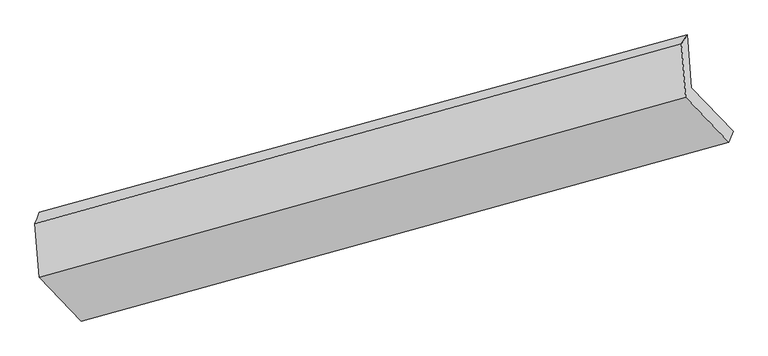
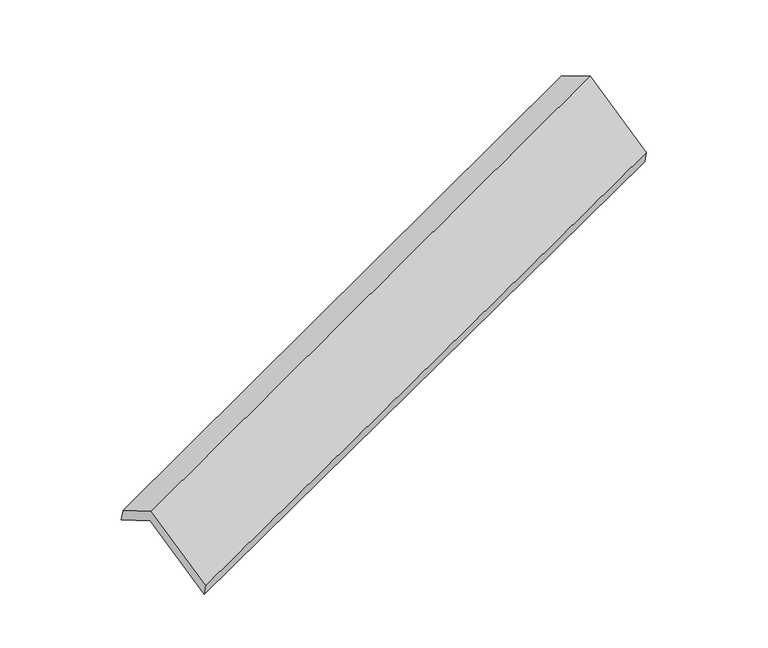
"""IFC4 building model written with IfcOpenShell, lengths in millimetres: proxy geometry."""

import ifcopenshell
import ifcopenshell.guid

model = None  # the IFC model being written
_history = None  # IfcOwnerHistory: only IFC2X3 demands one
_inside = {}  # id of a spatial element -> (the spatial element, [elements in it])
_under = {}  # id of a project, library or spatial element -> (it, [spatial elements below it])
_declared = {}  # id of a project -> (the project, [libraries it declares])
_typed = {}  # id of a type object -> (the type object, [elements of that type])
_made_of = {}  # id of a material, layer set ... -> (it, [elements and type objects made of it])


def new_model(schema):
    """Start an empty IFC model of exactly this schema.

    Asked for "IFC4X3", IfcOpenShell would pick the latest addendum, in which some entities
    have other attributes; the version numbers below select the first issue.
    IFC2X3 requires an IfcOwnerHistory on every rooted entity: one is made here for all.
    """
    global model, _history
    if schema == "IFC4X3":
        model = ifcopenshell.file(schema_version=(4, 3, 0, 0))
    else:
        model = ifcopenshell.file(schema=schema)
    _inside.clear()
    _under.clear()
    _declared.clear()
    _typed.clear()
    _made_of.clear()
    _history = None
    if model.schema == "IFC2X3":
        org = make("IfcOrganization", Name="unknown")
        user = make(
            "IfcPersonAndOrganization",
            ThePerson=make("IfcPerson", FamilyName="unknown"),
            TheOrganization=org,
        )
        app = make(
            "IfcApplication",
            ApplicationDeveloper=org,
            Version="unknown",
            ApplicationFullName="unknown",
            ApplicationIdentifier="unknown",
        )
        _history = make(
            "IfcOwnerHistory",
            OwningUser=user,
            OwningApplication=app,
            ChangeAction="ADDED",
            CreationDate=0,
        )
    return model


def make(cls, **values):
    """One entity of the class cls with the attributes given. An attribute that is None is left unset."""
    return model.create_entity(
        cls, **{name: value for name, value in values.items() if value is not None}
    )


def rooted(cls, **values):
    """An entity with a GlobalId (a new one), such as an element, a storey or a relation."""
    return make(cls, GlobalId=ifcopenshell.guid.new(), OwnerHistory=_history, **values)


def si_unit(unit_type, name, prefix=None):
    """IfcSIUnit, for example si_unit("LENGTHUNIT", "METRE", prefix="MILLI")."""
    return make("IfcSIUnit", UnitType=unit_type, Prefix=prefix, Name=name)


def assignment(units):
    """IfcUnitAssignment: the units of a project."""
    return None if units is None else make("IfcUnitAssignment", Units=units)


def point(xyz):
    """IfcCartesianPoint."""
    return None if xyz is None else make("IfcCartesianPoint", Coordinates=xyz)


def direction(xyz):
    """IfcDirection."""
    return None if xyz is None else make("IfcDirection", DirectionRatios=xyz)


def frame(location, z_axis=None, x_axis=None):
    """IfcAxis2Placement3D, a coordinate frame: its origin and axes. An axis left out is left unset."""
    return make(
        "IfcAxis2Placement3D",
        Location=point(location),
        Axis=direction(z_axis),
        RefDirection=direction(x_axis),
    )


def origin():
    """The frame at (0, 0, 0) with its axes left unset."""
    return frame((0.0, 0.0, 0.0))


def place(relative_to, where):
    """IfcLocalPlacement: puts the frame where relative to a parent placement (None: the world)."""
    return make(
        "IfcLocalPlacement", PlacementRelTo=relative_to, RelativePlacement=where
    )


def context(
    kind, dimensions, precision=None, world=None, true_north=None, identifier=None
):
    """IfcGeometricRepresentationContext, for example the 3D "Model" context."""
    return make(
        "IfcGeometricRepresentationContext",
        ContextIdentifier=identifier,
        ContextType=kind,
        CoordinateSpaceDimension=dimensions,
        Precision=precision,
        WorldCoordinateSystem=world,
        TrueNorth=true_north,
    )


def project(units=None, contexts=None):
    """IfcProject with its units and contexts."""
    return rooted(
        "IfcProject",
        Name="project",
        RepresentationContexts=contexts,
        UnitsInContext=assignment(units),
    )


def spatial(cls, under=None, at=None, **own):
    """A site, building, storey or space (cls), placed at a placement, below another one or the project."""
    s = rooted(cls, ObjectPlacement=at, **own)
    if under is not None:
        _under.setdefault(under.id(), (under, []))[1].append(s)
    return s


def shape(context_of_items, identifier, shape_type, items):
    """IfcShapeRepresentation: the items that make up one representation, for example the "Body"."""
    return make(
        "IfcShapeRepresentation",
        ContextOfItems=context_of_items,
        RepresentationIdentifier=identifier,
        RepresentationType=shape_type,
        Items=items,
    )


def source(mapping_origin, context_of_items, identifier, shape_type, items):
    """IfcRepresentationMap: a shape defined once, which mapped items show again and again."""
    return make(
        "IfcRepresentationMap",
        MappingOrigin=mapping_origin,
        MappedRepresentation=shape(context_of_items, identifier, shape_type, items),
    )


def transform(
    local_origin,
    x_axis=None,
    y_axis=None,
    z_axis=None,
    scale=None,
    scale2=None,
    scale3=None,
    uniform=True,
):
    """IfcCartesianTransformationOperator3D, or its non-uniform kind. x_axis, y_axis, z_axis: its Axis1, 2, 3."""
    if uniform:
        return make(
            "IfcCartesianTransformationOperator3D",
            Axis1=direction(x_axis),
            Axis2=direction(y_axis),
            LocalOrigin=point(local_origin),
            Scale=scale,
            Axis3=direction(z_axis),
        )
    return make(
        "IfcCartesianTransformationOperator3DnonUniform",
        Axis1=direction(x_axis),
        Axis2=direction(y_axis),
        LocalOrigin=point(local_origin),
        Scale=scale,
        Axis3=direction(z_axis),
        Scale2=scale2,
        Scale3=scale3,
    )


def mapped(mapping_source, mapping_target):
    """IfcMappedItem: shows the shape of a source again, moved by a transform."""
    return make(
        "IfcMappedItem", MappingSource=mapping_source, MappingTarget=mapping_target
    )


def made_of(thing, what):
    """Note that an element or type object is made of a material, layer set ...; save() writes the relation."""
    if what is not None:
        _made_of.setdefault(what.id(), (what, []))[1].append(thing)
    return thing


def element(
    cls,
    number,
    at=None,
    inside=None,
    cuts=None,
    type_object=None,
    material=None,
    context=None,
    identifier="Body",
    shape_type=None,
    held_by="IfcProductDefinitionShape",
    body=None,
    shapes=None,
    **own,
):
    """One element of the class cls, such as IfcWall. Its Tag is "e" and its number.

    at: its placement. inside: the storey or other place that contains it. cuts: it is an
    opening in that element (IfcRelVoidsElement). A single representation is given by context,
    identifier, shape_type and body (its items); several are given by shapes. held_by: the class
    of the entity that holds the representations. save() writes the other relations.
    """
    e = rooted(cls, Tag="e%d" % number, ObjectPlacement=at, **own)
    if body is not None:
        shapes = [shape(context, identifier, shape_type, body)]
    if shapes is not None:
        e.Representation = make(held_by, Representations=shapes)
    if inside is not None:
        _inside.setdefault(inside.id(), (inside, []))[1].append(e)
    if cuts is not None:
        rooted(
            "IfcRelVoidsElement", RelatingBuildingElement=cuts, RelatedOpeningElement=e
        )
    if type_object is not None:
        _typed.setdefault(type_object.id(), (type_object, []))[1].append(e)
    return made_of(e, material)


def aggregate(whole, parts):
    """IfcRelAggregates: a whole, such as a stair, and the parts it consists of."""
    return rooted("IfcRelAggregates", RelatingObject=whole, RelatedObjects=parts)


def save(model, path):
    """Write the relations noted so far, then the file.

    IfcRelAggregates (storeys below a building ...), IfcRelContainedInSpatialStructure (elements
    in a storey), IfcRelDefinesByType, IfcRelAssociatesMaterial and IfcRelDeclares: one each for
    every whole, place, type object, material and project.
    """
    for whole, parts in _under.values():
        aggregate(whole, parts)
    for where, things in _inside.values():
        rooted(
            "IfcRelContainedInSpatialStructure",
            RelatedElements=things,
            RelatingStructure=where,
        )
    for kind, things in _typed.values():
        rooted("IfcRelDefinesByType", RelatedObjects=things, RelatingType=kind)
    for what, things in _made_of.values():
        rooted("IfcRelAssociatesMaterial", RelatedObjects=things, RelatingMaterial=what)
    for by, libraries in _declared.values():
        rooted("IfcRelDeclares", RelatingContext=by, RelatedDefinitions=libraries)
    model.write(path)


def plane_surface(at):
    """IfcPlane: the flat surface through the origin of the frame at, square to its z axis."""
    return make("IfcPlane", Position=at)


def spline_surface(u_degree, v_degree, points, u_multiplicities, v_multiplicities, u_knots, v_knots, weights=None):
    """IfcBSplineSurfaceWithKnots; with weights, IfcRationalBSplineSurfaceWithKnots. points: one row for each step in u."""
    own = dict(
        UDegree=u_degree,
        VDegree=v_degree,
        ControlPointsList=[[point(p) for p in row] for row in points],
        SurfaceForm="UNSPECIFIED",
        UClosed=False,
        VClosed=False,
        SelfIntersect=False,
        UMultiplicities=u_multiplicities,
        VMultiplicities=v_multiplicities,
        UKnots=u_knots,
        VKnots=v_knots,
        KnotSpec="UNSPECIFIED",
    )
    if weights is None:
        return make("IfcBSplineSurfaceWithKnots", **own)
    return make("IfcRationalBSplineSurfaceWithKnots", WeightsData=weights, **own)


def advanced_brep(points, edges, surfaces, faces):
    """IfcAdvancedBrep: a solid bounded by faces that lie on surfaces and meet in shared edges.

    An edge is (start, end): straight between two places in points (the first is 0);
    or (start, end, curve); or (start, end, curve, False) where it runs against its curve.
    A face is (place in surfaces, loops), or (place, loops, False) where it looks against
    its surface's normal. A loop lists edges by number (the first is 1), with a minus sign
    where the edge is run from its end to its start. The first loop is the outer one.
    """
    corners = [point(p) for p in points]
    vertices = [make("IfcVertexPoint", VertexGeometry=c) for c in corners]
    made = []
    for start, end, *more in edges:
        made.append(
            make(
                "IfcEdgeCurve",
                EdgeStart=vertices[start],
                EdgeEnd=vertices[end],
                EdgeGeometry=more[0] if more else make("IfcPolyline", Points=[corners[start], corners[end]]),
                SameSense=more[1] if len(more) > 1 else True,
            )
        )
    hull = []
    for where, loops, *sense in faces:
        bounds = []
        for j, loop in enumerate(loops):
            ring = [make("IfcOrientedEdge", EdgeElement=made[abs(k) - 1], Orientation=k > 0) for k in loop]
            bounds.append(
                make(
                    "IfcFaceOuterBound" if j == 0 else "IfcFaceBound",
                    Bound=make("IfcEdgeLoop", EdgeList=ring),
                    Orientation=True,
                )
            )
        hull.append(make("IfcAdvancedFace", Bounds=bounds, FaceSurface=surfaces[where], SameSense=sense[0] if sense else True))
    return make("IfcAdvancedBrep", Outer=make("IfcClosedShell", CfsFaces=hull))


def generic_models_245fce9c(model_context):
    return source(origin(), model_context, "Body", "AdvancedBrep", [
        advanced_brep(
        [(-4977.8132594, -2060.5197127, 1368.5565483), (-5004.6747818, -1716.5766314, 1177.6235223), (-898.9465552, -592.7732271, 2645.0559369), (-872.7662757, -927.9934673, 2831.1466545), (-5032.36985, -1789.1354234, 1312.1555214), (-935.3852572, -648.2110398, 2791.0081344), (-5005.8994795, -2128.0700755, 1500.3082194), (-908.9148868, -987.1456919, 2979.1608325), (-4739.5700481, -2405.4904341, 963.0998111), (-634.5230644, -1272.9641887, 2425.6899173), (-4713.2073439, -2336.1447819, 834.8246137), (-608.1603602, -1203.6185365, 2297.4147199)],
        [
            (0, 1),
            (1, 2),
            (2, 3),
            (3, 0),
            (1, 4),
            (4, 5),
            (5, 2),
            (4, 6),
            (6, 7),
            (7, 5),
            (6, 8),
            (8, 9),
            (9, 7),
            (8, 10),
            (10, 11),
            (11, 9),
            (10, 0),
            (3, 11),
        ],
        [
            plane_surface(frame((-4991.2440206, -1888.5481721, 1273.0900353), z_axis=(0.4051454089554412, -0.4193493129994953, -0.8124059030368869), x_axis=(-0.06812429338030276, 0.872284115655351, -0.48423083568355757))),
            spline_surface(1, 1, [[(-5004.6747818, -1716.5766314, 1177.6235223), (-898.9465552, -592.7732271, 2645.0559369)], [(-5032.36985, -1789.1354234, 1312.1555214), (-935.3852572, -648.2110398, 2791.0081344)]], [2, 2], [2, 2], [0.0, 1.0], [0.0, 1.0]),
            plane_surface(frame((-5019.1346648, -1958.6027495, 1406.2318704), z_axis=(-0.4091910508185681, 0.41822793635900685, 0.810955040171083), x_axis=(0.06812429338030258, -0.8722841156553508, 0.48423083568355824))),
            plane_surface(frame((-4872.7347638, -2266.7802548, 1231.7040153), z_axis=(0.06812429338030476, -0.8722841156553522, 0.48423083568355535), x_axis=(0.40311954551396895, -0.4199069110625357, -0.8131253397026383))),
            plane_surface(frame((-4726.388696, -2370.817608, 898.9622124), z_axis=(0.3697493496661083, -0.8470140214041875, -0.38190661943228565), x_axis=(0.17790584813343274, 0.46797160782570246, -0.8656512481761641))),
            plane_surface(frame((-4845.5103016, -2198.3322473, 1101.690581), z_axis=(-0.06812429338030263, 0.8722841156553498, -0.48423083568355985), x_axis=(-0.40311954551396423, 0.4199069110625419, 0.8131253397026373))),
            plane_surface(frame((-809.7827332, -938.7843585, 2661.5793659), z_axis=(0.9126081923125884, 0.2505965036014588, 0.32302891466039674), x_axis=(0.17790584813343274, 0.46797160782570246, -0.8656512481761641))),
            plane_surface(frame((-4912.2557938, -2072.6561765, 1192.7613727), z_axis=(-0.9126081923125935, -0.2505965036014327, -0.3230289146604027), x_axis=(0.4031195455139559, -0.41990691106253303, -0.8131253397026462))),
        ],
        [
            (0, [[1, 2, 3, 4]]),
            (1, [[5, 6, 7, -2]]),
            (2, [[8, 9, 10, -6]]),
            (3, [[11, 12, 13, -9]]),
            (4, [[14, 15, 16, -12]]),
            (5, [[17, -4, 18, -15]]),
            (6, [[-16, -18, -3, -7, -10, -13]]),
            (7, [[-17, -14, -11, -8, -5, -1]]),
        ],
    ),
    ])


if __name__ == "__main__":
    model = new_model("IFC4")
    model_context = context("Model", 3, world=origin())
    ifc_project = project(units=[si_unit("LENGTHUNIT", "METRE", prefix="MILLI")], contexts=[model_context])
    site = spatial("IfcSite", under=ifc_project)
    building = spatial("IfcBuilding", under=site)
    placement = place(None, origin())
    generic_models_shape = generic_models_245fce9c(model_context)
    element("IfcBuildingElementProxy", 1, Name="Generic Models", at=placement, inside=building, context=model_context, shape_type="MappedRepresentation", body=[
        mapped(generic_models_shape, transform((0.0, 0.0, 0.0), x_axis=(1.0, 0.0, 0.0), y_axis=(0.0, 1.0, 0.0), z_axis=(0.0, 0.0, 1.0))),
    ])
    save(model, "model.ifc")
